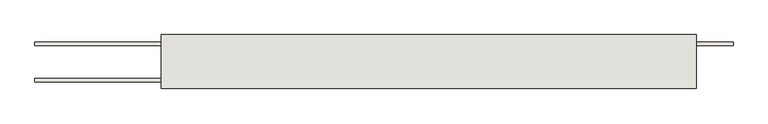
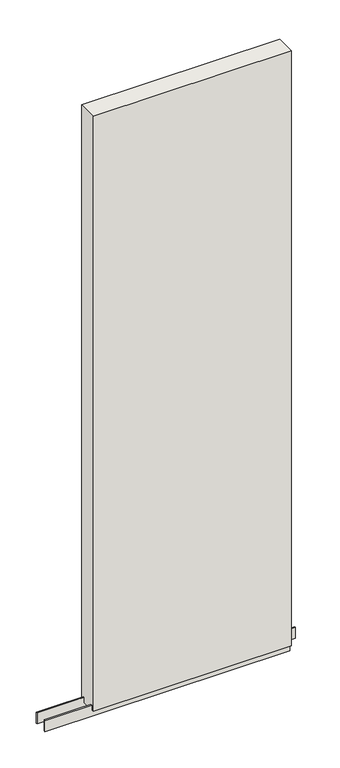
"""IFC4 building model written with IfcOpenShell, lengths in millimetres: wall geometry."""

from ifc_helpers import new_model, si_unit, frame, origin, place, context, project, spatial, polyline, outline, extrude, source, transform, mapped, element, save


def wall_d08cf827(model_context):
    return source(origin(), model_context, "Body", "SweptSolid", [
        extrude(outline(polyline([(69448.6614072, -39414.4636398), (69451.2014072, -39414.4636398), (69451.2014072, -39417.0036398), (69448.6614072, -39417.0036398), (69448.6614072, -39414.4636398)])), frame((0.0, 0.0, 4419.6), z_axis=(0.0, 0.0, 1.0), x_axis=(1.0, 0.0, 0.0)), (0.0, 0.0, 1.0), 2.54),
        extrude(outline(polyline([(69258.153965, -39440.8142856), (70254.849711, -39440.8142856), (70254.849711, -39445.8961398), (69258.153965, -39445.8961398), (69258.153965, -39440.8142856)])), frame((0.0, 0.0, 4418.6602), z_axis=(0.0, 0.0, 1.0), x_axis=(1.0, 0.0, 0.0)), (0.0, 0.0, 1.0), 47.625),
        extrude(outline(polyline([(69258.153965, -39440.8142856), (70254.849711, -39440.8142856), (70254.849711, -39445.8961398), (69258.153965, -39445.8961398), (69258.153965, -39440.8142856)])), frame((0.0, 0.0, 4418.6602), z_axis=(0.0, 0.0, 1.0), x_axis=(1.0, 0.0, 0.0)), (0.0, 0.0, 1.0), 47.625),
        extrude(outline(polyline([(70310.1703522, -39390.6498952), (69258.153965, -39390.6498952), (69258.153965, -39385.5711398), (70310.1703522, -39385.5711398), (70310.1703522, -39390.6498952)])), frame((0.0, 0.0, 4418.6602), z_axis=(0.0, 0.0, 1.0), x_axis=(1.0, 0.0, 0.0)), (0.0, 0.0, 1.0), 47.625),
        extrude(outline(polyline([(70310.1703522, -39390.6498952), (69258.153965, -39390.6498952), (69258.153965, -39385.5711398), (70310.1703522, -39385.5711398), (70310.1703522, -39390.6498952)])), frame((0.0, 0.0, 4418.6602), z_axis=(0.0, 0.0, 1.0), x_axis=(1.0, 0.0, 0.0)), (0.0, 0.0, 1.0), 47.625),
        extrude(outline(polyline([(69448.653965, -39456.3854254), (69448.653965, -39375.10667), (70254.849711, -39375.10667), (70254.849711, -39456.3854254), (69448.653965, -39456.3854254)])), frame((0.0, 0.0, 4445.0), z_axis=(0.0, 0.0, 1.0), x_axis=(1.0, 0.0, 0.0)), (0.0, 0.0, 1.0), 2562.4536762),
    ])


if __name__ == "__main__":
    model = new_model("IFC4")
    model_context = context("Model", 3, world=origin())
    ifc_project = project(units=[si_unit("LENGTHUNIT", "METRE", prefix="MILLI")], contexts=[model_context])
    site = spatial("IfcSite", under=ifc_project)
    building = spatial("IfcBuilding", under=site)
    placement = place(None, origin())
    wall_shape = wall_d08cf827(model_context)
    element("IfcWall", 1, at=placement, inside=building, context=model_context, shape_type="MappedRepresentation", body=[
        mapped(wall_shape, transform((0.0, 0.0, 0.0), x_axis=(1.0, 0.0, 0.0), y_axis=(0.0, 1.0, 0.0), z_axis=(0.0, 0.0, 1.0))),
    ])
    save(model, "model.ifc")
